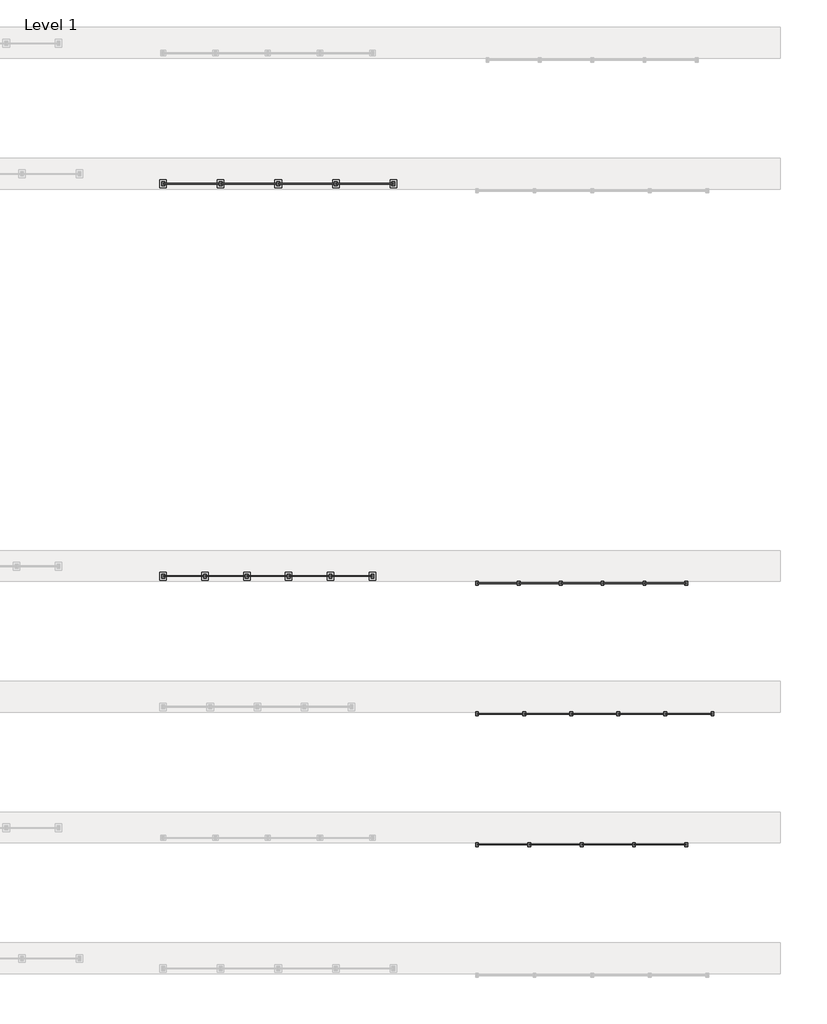
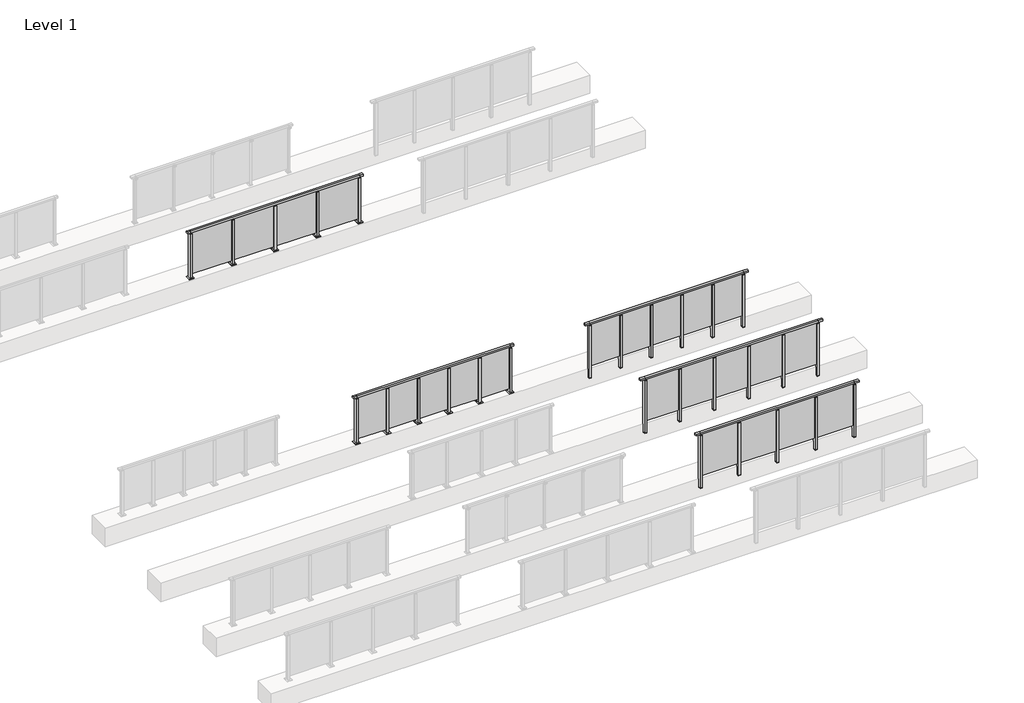
# One storey, part 21 of 38: 5 railings.
"""IFC4 building model written with IfcOpenShell, lengths in millimetres."""

from ifc_helpers import new_model, si_unit, frame, origin, origin_with_axes, place, context, project, spatial, polyline, outline, extrude, faceted_brep, element, save

model = new_model("IFC4")

# Units and contexts
model_context = context("Model", 3, world=origin())
ifc_project = project(units=[si_unit("LENGTHUNIT", "METRE", prefix="MILLI")], contexts=[model_context])

# Site, building, storey
site = spatial("IfcSite", under=ifc_project)
building = spatial("IfcBuilding", under=site)
storey = spatial("IfcBuildingStorey", under=building, Name="Level 1", Elevation=0.0)

# Railings
placement = place(None, origin())
element("IfcRailing", 1, at=placement, inside=storey, context=model_context, shape_type="SolidModel", body=[
    faceted_brep([(35476.1884576, 30030.1846828, 1252.5), (35476.1884576, 30030.1846828, 1300.0), (39876.1884576, 30030.1846828, 1300.0), (39876.1884576, 30030.1846828, 1252.5), (35476.1884576, 29970.1846828, 1252.5), (39876.1884576, 29970.1846828, 1252.5), (35476.1884576, 29970.1846828, 1300.0), (39876.1884576, 29970.1846828, 1300.0), (35388.6884576, 30030.1846828, 1300.0), (35388.6884576, 30030.1846828, 1252.5), (35388.6884576, 29970.1846828, 1252.5), (35388.6884576, 29970.1846828, 1300.0), (39963.6884576, 30030.1846828, 1300.0), (39963.6884576, 29970.1846828, 1300.0), (39963.6884576, 29970.1846828, 1252.5), (39963.6884576, 30030.1846828, 1252.5)], [[[0, 1, 2, 3]], [[4, 0, 3, 5]], [[6, 4, 5, 7]], [[1, 6, 7, 2]], [[8, 9, 10, 11]], [[9, 8, 1, 0]], [[10, 9, 0, 4]], [[11, 10, 4, 6]], [[8, 11, 6, 1]], [[12, 13, 14, 15]], [[3, 2, 12, 15]], [[5, 3, 15, 14]], [[7, 5, 14, 13]], [[2, 7, 13, 12]]]),
    extrude(outline(polyline([(38786.1884576, 30006.9598727), (39866.1884576, 30006.9598727), (39866.1884576, 29994.9598727), (38786.1884576, 29994.9598727), (38786.1884576, 30006.9598727)])), frame((0.0, 0.0, 95.0), z_axis=(0.0, 0.0, 1.0), x_axis=(1.0, 0.0, 0.0)), (0.0, 0.0, 1.0), 1160.0),
    extrude(outline(polyline([(38803.1884576, 29961.1846828), (38749.1884576, 29961.1846828), (38749.1884576, 30039.1846828), (38803.1884576, 30039.1846828), (38803.1884576, 29961.1846828)])), frame((0.0, 0.0, 12.0), z_axis=(0.0, 0.0, 1.0), x_axis=(1.0, 0.0, 0.0)), (0.0, 0.0, 1.0), 1215.0),
    extrude(outline(polyline([(38786.1884576, 29990.1846828), (38766.1884576, 29990.1846828), (38766.1884576, 30010.1846828), (38786.1884576, 30010.1846828), (38786.1884576, 29990.1846828)])), frame((0.0, 0.0, 1235.0), z_axis=(0.0, 0.0, 1.0), x_axis=(1.0, 0.0, 0.0)), (0.0, 0.0, 1.0), 20.0),
    extrude(outline(polyline([(38803.1884576, 29961.1846828), (38749.1884576, 29961.1846828), (38749.1884576, 30039.1846828), (38803.1884576, 30039.1846828), (38803.1884576, 29961.1846828)])), frame((0.0, 0.0, 1227.0), z_axis=(0.0, 0.0, 1.0), x_axis=(1.0, 0.0, 0.0)), (0.0, 0.0, 1.0), 8.0),
    extrude(outline(polyline([(38838.6884576, 29925.1846828), (38713.6884576, 29925.1846828), (38713.6884576, 30075.1846828), (38838.6884576, 30075.1846828), (38838.6884576, 29925.1846828)])), origin_with_axes(), (0.0, 0.0, 1.0), 12.0),
    extrude(outline(polyline([(37686.1884576, 30006.9598727), (38766.1884576, 30006.9598727), (38766.1884576, 29994.9598727), (37686.1884576, 29994.9598727), (37686.1884576, 30006.9598727)])), frame((0.0, 0.0, 95.0), z_axis=(0.0, 0.0, 1.0), x_axis=(1.0, 0.0, 0.0)), (0.0, 0.0, 1.0), 1160.0),
    extrude(outline(polyline([(37703.1884576, 29961.1846828), (37649.1884576, 29961.1846828), (37649.1884576, 30039.1846828), (37703.1884576, 30039.1846828), (37703.1884576, 29961.1846828)])), frame((0.0, 0.0, 12.0), z_axis=(0.0, 0.0, 1.0), x_axis=(1.0, 0.0, 0.0)), (0.0, 0.0, 1.0), 1215.0),
    extrude(outline(polyline([(37686.1884576, 29990.1846828), (37666.1884576, 29990.1846828), (37666.1884576, 30010.1846828), (37686.1884576, 30010.1846828), (37686.1884576, 29990.1846828)])), frame((0.0, 0.0, 1235.0), z_axis=(0.0, 0.0, 1.0), x_axis=(1.0, 0.0, 0.0)), (0.0, 0.0, 1.0), 20.0),
    extrude(outline(polyline([(37703.1884576, 29961.1846828), (37649.1884576, 29961.1846828), (37649.1884576, 30039.1846828), (37703.1884576, 30039.1846828), (37703.1884576, 29961.1846828)])), frame((0.0, 0.0, 1227.0), z_axis=(0.0, 0.0, 1.0), x_axis=(1.0, 0.0, 0.0)), (0.0, 0.0, 1.0), 8.0),
    extrude(outline(polyline([(37738.6884576, 29925.1846828), (37613.6884576, 29925.1846828), (37613.6884576, 30075.1846828), (37738.6884576, 30075.1846828), (37738.6884576, 29925.1846828)])), origin_with_axes(), (0.0, 0.0, 1.0), 12.0),
    extrude(outline(polyline([(36586.1884576, 30006.9598727), (37666.1884576, 30006.9598727), (37666.1884576, 29994.9598727), (36586.1884576, 29994.9598727), (36586.1884576, 30006.9598727)])), frame((0.0, 0.0, 95.0), z_axis=(0.0, 0.0, 1.0), x_axis=(1.0, 0.0, 0.0)), (0.0, 0.0, 1.0), 1160.0),
    extrude(outline(polyline([(36603.1884576, 29961.1846828), (36549.1884576, 29961.1846828), (36549.1884576, 30039.1846828), (36603.1884576, 30039.1846828), (36603.1884576, 29961.1846828)])), frame((0.0, 0.0, 12.0), z_axis=(0.0, 0.0, 1.0), x_axis=(1.0, 0.0, 0.0)), (0.0, 0.0, 1.0), 1215.0),
    extrude(outline(polyline([(36586.1884576, 29990.1846828), (36566.1884576, 29990.1846828), (36566.1884576, 30010.1846828), (36586.1884576, 30010.1846828), (36586.1884576, 29990.1846828)])), frame((0.0, 0.0, 1235.0), z_axis=(0.0, 0.0, 1.0), x_axis=(1.0, 0.0, 0.0)), (0.0, 0.0, 1.0), 20.0),
    extrude(outline(polyline([(36603.1884576, 29961.1846828), (36549.1884576, 29961.1846828), (36549.1884576, 30039.1846828), (36603.1884576, 30039.1846828), (36603.1884576, 29961.1846828)])), frame((0.0, 0.0, 1227.0), z_axis=(0.0, 0.0, 1.0), x_axis=(1.0, 0.0, 0.0)), (0.0, 0.0, 1.0), 8.0),
    extrude(outline(polyline([(36638.6884576, 29925.1846828), (36513.6884576, 29925.1846828), (36513.6884576, 30075.1846828), (36638.6884576, 30075.1846828), (36638.6884576, 29925.1846828)])), origin_with_axes(), (0.0, 0.0, 1.0), 12.0),
    extrude(outline(polyline([(35486.1884576, 30006.9598727), (36566.1884576, 30006.9598727), (36566.1884576, 29994.9598727), (35486.1884576, 29994.9598727), (35486.1884576, 30006.9598727)])), frame((0.0, 0.0, 95.0), z_axis=(0.0, 0.0, 1.0), x_axis=(1.0, 0.0, 0.0)), (0.0, 0.0, 1.0), 1160.0),
    extrude(outline(polyline([(39903.1884576, 29961.1846828), (39849.1884576, 29961.1846828), (39849.1884576, 30039.1846828), (39903.1884576, 30039.1846828), (39903.1884576, 29961.1846828)])), frame((0.0, 0.0, 12.0), z_axis=(0.0, 0.0, 1.0), x_axis=(1.0, 0.0, 0.0)), (0.0, 0.0, 1.0), 1215.0),
    extrude(outline(polyline([(39886.1884576, 29990.1846828), (39866.1884576, 29990.1846828), (39866.1884576, 30010.1846828), (39886.1884576, 30010.1846828), (39886.1884576, 29990.1846828)])), frame((0.0, 0.0, 1235.0), z_axis=(0.0, 0.0, 1.0), x_axis=(1.0, 0.0, 0.0)), (0.0, 0.0, 1.0), 20.0),
    extrude(outline(polyline([(39903.1884576, 29961.1846828), (39849.1884576, 29961.1846828), (39849.1884576, 30039.1846828), (39903.1884576, 30039.1846828), (39903.1884576, 29961.1846828)])), frame((0.0, 0.0, 1227.0), z_axis=(0.0, 0.0, 1.0), x_axis=(1.0, 0.0, 0.0)), (0.0, 0.0, 1.0), 8.0),
    extrude(outline(polyline([(39938.6884576, 29925.1846828), (39813.6884576, 29925.1846828), (39813.6884576, 30075.1846828), (39938.6884576, 30075.1846828), (39938.6884576, 29925.1846828)])), origin_with_axes(), (0.0, 0.0, 1.0), 12.0),
    extrude(outline(polyline([(35503.1884576, 29961.1846828), (35449.1884576, 29961.1846828), (35449.1884576, 30039.1846828), (35503.1884576, 30039.1846828), (35503.1884576, 29961.1846828)])), frame((0.0, 0.0, 12.0), z_axis=(0.0, 0.0, 1.0), x_axis=(1.0, 0.0, 0.0)), (0.0, 0.0, 1.0), 1215.0),
    extrude(outline(polyline([(35486.1884576, 29990.1846828), (35466.1884576, 29990.1846828), (35466.1884576, 30010.1846828), (35486.1884576, 30010.1846828), (35486.1884576, 29990.1846828)])), frame((0.0, 0.0, 1235.0), z_axis=(0.0, 0.0, 1.0), x_axis=(1.0, 0.0, 0.0)), (0.0, 0.0, 1.0), 20.0),
    extrude(outline(polyline([(35503.1884576, 29961.1846828), (35449.1884576, 29961.1846828), (35449.1884576, 30039.1846828), (35503.1884576, 30039.1846828), (35503.1884576, 29961.1846828)])), frame((0.0, 0.0, 1227.0), z_axis=(0.0, 0.0, 1.0), x_axis=(1.0, 0.0, 0.0)), (0.0, 0.0, 1.0), 8.0),
    extrude(outline(polyline([(35538.6884576, 29925.1846828), (35413.6884576, 29925.1846828), (35413.6884576, 30075.1846828), (35538.6884576, 30075.1846828), (35538.6884576, 29925.1846828)])), origin_with_axes(), (0.0, 0.0, 1.0), 12.0),
])
element("IfcRailing", 2, at=placement, inside=storey, context=model_context, shape_type="SolidModel", body=[
    faceted_brep([(41476.1884576, 17397.6846828, 1252.5), (41476.1884576, 17397.6846828, 1300.0), (45476.1884576, 17397.6846828, 1300.0), (45476.1884576, 17397.6846828, 1252.5), (41476.1884576, 17337.6846828, 1252.5), (45476.1884576, 17337.6846828, 1252.5), (41476.1884576, 17337.6846828, 1300.0), (45476.1884576, 17337.6846828, 1300.0), (41353.1884576, 17397.6846828, 1300.0), (41353.1884576, 17397.6846828, 1252.5), (41353.1884576, 17337.6846828, 1252.5), (41353.1884576, 17337.6846828, 1300.0), (45599.1884576, 17397.6846828, 1300.0), (45599.1884576, 17337.6846828, 1300.0), (45599.1884576, 17337.6846828, 1252.5), (45599.1884576, 17397.6846828, 1252.5)], [[[0, 1, 2, 3]], [[4, 0, 3, 5]], [[6, 4, 5, 7]], [[1, 6, 7, 2]], [[8, 9, 10, 11]], [[9, 8, 1, 0]], [[10, 9, 0, 4]], [[11, 10, 4, 6]], [[8, 11, 6, 1]], [[12, 13, 14, 15]], [[3, 2, 12, 15]], [[5, 3, 15, 14]], [[7, 5, 14, 13]], [[2, 7, 13, 12]]]),
    extrude(outline(polyline([(44486.1884576, 17360.9094929), (44486.1884576, 17372.9094929), (45466.1884576, 17372.9094929), (45466.1884576, 17360.9094929), (44486.1884576, 17360.9094929)])), frame((0.0, 0.0, 95.0), z_axis=(0.0, 0.0, 1.0), x_axis=(1.0, 0.0, 0.0)), (0.0, 0.0, 1.0), 1160.0),
    extrude(outline(polyline([(44503.1884576, 17406.6846828), (44503.1884576, 17328.6846828), (44449.1884576, 17328.6846828), (44449.1884576, 17406.6846828), (44503.1884576, 17406.6846828)])), frame((0.0, 0.0, 1227.0), z_axis=(0.0, 0.0, 1.0), x_axis=(1.0, 0.0, 0.0)), (0.0, 0.0, 1.0), 8.0),
    extrude(outline(polyline([(44486.1884576, 17377.6846828), (44486.1884576, 17357.6846828), (44466.1884576, 17357.6846828), (44466.1884576, 17377.6846828), (44486.1884576, 17377.6846828)])), frame((0.0, 0.0, 1235.0), z_axis=(0.0, 0.0, 1.0), x_axis=(1.0, 0.0, 0.0)), (0.0, 0.0, 1.0), 20.0),
    extrude(outline(polyline([(44503.1884576, 17406.6846828), (44503.1884576, 17328.6846828), (44449.1884576, 17328.6846828), (44449.1884576, 17406.6846828), (44503.1884576, 17406.6846828)])), frame((0.0, 0.0, -220.0), z_axis=(0.0, 0.0, 1.0), x_axis=(1.0, 0.0, 0.0)), (0.0, 0.0, 1.0), 8.0),
    extrude(outline(polyline([(44503.1884576, 17406.6846828), (44503.1884576, 17328.6846828), (44449.1884576, 17328.6846828), (44449.1884576, 17406.6846828), (44503.1884576, 17406.6846828)])), frame((0.0, 0.0, -212.0), z_axis=(0.0, 0.0, 1.0), x_axis=(1.0, 0.0, 0.0)), (0.0, 0.0, 1.0), 1439.0),
    extrude(outline(polyline([(43486.1884576, 17360.9094929), (43486.1884576, 17372.9094929), (44466.1884576, 17372.9094929), (44466.1884576, 17360.9094929), (43486.1884576, 17360.9094929)])), frame((0.0, 0.0, 95.0), z_axis=(0.0, 0.0, 1.0), x_axis=(1.0, 0.0, 0.0)), (0.0, 0.0, 1.0), 1160.0),
    extrude(outline(polyline([(43503.1884576, 17406.6846828), (43503.1884576, 17328.6846828), (43449.1884576, 17328.6846828), (43449.1884576, 17406.6846828), (43503.1884576, 17406.6846828)])), frame((0.0, 0.0, 1227.0), z_axis=(0.0, 0.0, 1.0), x_axis=(1.0, 0.0, 0.0)), (0.0, 0.0, 1.0), 8.0),
    extrude(outline(polyline([(43486.1884576, 17377.6846828), (43486.1884576, 17357.6846828), (43466.1884576, 17357.6846828), (43466.1884576, 17377.6846828), (43486.1884576, 17377.6846828)])), frame((0.0, 0.0, 1235.0), z_axis=(0.0, 0.0, 1.0), x_axis=(1.0, 0.0, 0.0)), (0.0, 0.0, 1.0), 20.0),
    extrude(outline(polyline([(43503.1884576, 17406.6846828), (43503.1884576, 17328.6846828), (43449.1884576, 17328.6846828), (43449.1884576, 17406.6846828), (43503.1884576, 17406.6846828)])), frame((0.0, 0.0, -220.0), z_axis=(0.0, 0.0, 1.0), x_axis=(1.0, 0.0, 0.0)), (0.0, 0.0, 1.0), 8.0),
    extrude(outline(polyline([(43503.1884576, 17406.6846828), (43503.1884576, 17328.6846828), (43449.1884576, 17328.6846828), (43449.1884576, 17406.6846828), (43503.1884576, 17406.6846828)])), frame((0.0, 0.0, -212.0), z_axis=(0.0, 0.0, 1.0), x_axis=(1.0, 0.0, 0.0)), (0.0, 0.0, 1.0), 1439.0),
    extrude(outline(polyline([(42486.1884576, 17360.9094929), (42486.1884576, 17372.9094929), (43466.1884576, 17372.9094929), (43466.1884576, 17360.9094929), (42486.1884576, 17360.9094929)])), frame((0.0, 0.0, 95.0), z_axis=(0.0, 0.0, 1.0), x_axis=(1.0, 0.0, 0.0)), (0.0, 0.0, 1.0), 1160.0),
    extrude(outline(polyline([(42503.1884576, 17406.6846828), (42503.1884576, 17328.6846828), (42449.1884576, 17328.6846828), (42449.1884576, 17406.6846828), (42503.1884576, 17406.6846828)])), frame((0.0, 0.0, 1227.0), z_axis=(0.0, 0.0, 1.0), x_axis=(1.0, 0.0, 0.0)), (0.0, 0.0, 1.0), 8.0),
    extrude(outline(polyline([(42486.1884576, 17377.6846828), (42486.1884576, 17357.6846828), (42466.1884576, 17357.6846828), (42466.1884576, 17377.6846828), (42486.1884576, 17377.6846828)])), frame((0.0, 0.0, 1235.0), z_axis=(0.0, 0.0, 1.0), x_axis=(1.0, 0.0, 0.0)), (0.0, 0.0, 1.0), 20.0),
    extrude(outline(polyline([(42503.1884576, 17406.6846828), (42503.1884576, 17328.6846828), (42449.1884576, 17328.6846828), (42449.1884576, 17406.6846828), (42503.1884576, 17406.6846828)])), frame((0.0, 0.0, -220.0), z_axis=(0.0, 0.0, 1.0), x_axis=(1.0, 0.0, 0.0)), (0.0, 0.0, 1.0), 8.0),
    extrude(outline(polyline([(42503.1884576, 17406.6846828), (42503.1884576, 17328.6846828), (42449.1884576, 17328.6846828), (42449.1884576, 17406.6846828), (42503.1884576, 17406.6846828)])), frame((0.0, 0.0, -212.0), z_axis=(0.0, 0.0, 1.0), x_axis=(1.0, 0.0, 0.0)), (0.0, 0.0, 1.0), 1439.0),
    extrude(outline(polyline([(41486.1884576, 17360.9094929), (41486.1884576, 17372.9094929), (42466.1884576, 17372.9094929), (42466.1884576, 17360.9094929), (41486.1884576, 17360.9094929)])), frame((0.0, 0.0, 95.0), z_axis=(0.0, 0.0, 1.0), x_axis=(1.0, 0.0, 0.0)), (0.0, 0.0, 1.0), 1160.0),
    extrude(outline(polyline([(45503.1884576, 17406.6846828), (45503.1884576, 17328.6846828), (45449.1884576, 17328.6846828), (45449.1884576, 17406.6846828), (45503.1884576, 17406.6846828)])), frame((0.0, 0.0, 1227.0), z_axis=(0.0, 0.0, 1.0), x_axis=(1.0, 0.0, 0.0)), (0.0, 0.0, 1.0), 8.0),
    extrude(outline(polyline([(45486.1884576, 17377.6846828), (45486.1884576, 17357.6846828), (45466.1884576, 17357.6846828), (45466.1884576, 17377.6846828), (45486.1884576, 17377.6846828)])), frame((0.0, 0.0, 1235.0), z_axis=(0.0, 0.0, 1.0), x_axis=(1.0, 0.0, 0.0)), (0.0, 0.0, 1.0), 20.0),
    extrude(outline(polyline([(45503.1884576, 17406.6846828), (45503.1884576, 17328.6846828), (45449.1884576, 17328.6846828), (45449.1884576, 17406.6846828), (45503.1884576, 17406.6846828)])), frame((0.0, 0.0, -220.0), z_axis=(0.0, 0.0, 1.0), x_axis=(1.0, 0.0, 0.0)), (0.0, 0.0, 1.0), 8.0),
    extrude(outline(polyline([(45503.1884576, 17406.6846828), (45503.1884576, 17328.6846828), (45449.1884576, 17328.6846828), (45449.1884576, 17406.6846828), (45503.1884576, 17406.6846828)])), frame((0.0, 0.0, -212.0), z_axis=(0.0, 0.0, 1.0), x_axis=(1.0, 0.0, 0.0)), (0.0, 0.0, 1.0), 1439.0),
    extrude(outline(polyline([(41503.1884576, 17406.6846828), (41503.1884576, 17328.6846828), (41449.1884576, 17328.6846828), (41449.1884576, 17406.6846828), (41503.1884576, 17406.6846828)])), frame((0.0, 0.0, 1227.0), z_axis=(0.0, 0.0, 1.0), x_axis=(1.0, 0.0, 0.0)), (0.0, 0.0, 1.0), 8.0),
    extrude(outline(polyline([(41486.1884576, 17377.6846828), (41486.1884576, 17357.6846828), (41466.1884576, 17357.6846828), (41466.1884576, 17377.6846828), (41486.1884576, 17377.6846828)])), frame((0.0, 0.0, 1235.0), z_axis=(0.0, 0.0, 1.0), x_axis=(1.0, 0.0, 0.0)), (0.0, 0.0, 1.0), 20.0),
    extrude(outline(polyline([(41503.1884576, 17406.6846828), (41503.1884576, 17328.6846828), (41449.1884576, 17328.6846828), (41449.1884576, 17406.6846828), (41503.1884576, 17406.6846828)])), frame((0.0, 0.0, -220.0), z_axis=(0.0, 0.0, 1.0), x_axis=(1.0, 0.0, 0.0)), (0.0, 0.0, 1.0), 8.0),
    extrude(outline(polyline([(41503.1884576, 17406.6846828), (41503.1884576, 17328.6846828), (41449.1884576, 17328.6846828), (41449.1884576, 17406.6846828), (41503.1884576, 17406.6846828)])), frame((0.0, 0.0, -212.0), z_axis=(0.0, 0.0, 1.0), x_axis=(1.0, 0.0, 0.0)), (0.0, 0.0, 1.0), 1439.0),
])
element("IfcRailing", 3, at=placement, inside=storey, context=model_context, shape_type="SolidModel", body=[
    faceted_brep([(41476.1884576, 19897.6846828, 1252.5), (41476.1884576, 19897.6846828, 1300.0), (45976.1884576, 19897.6846828, 1300.0), (45976.1884576, 19897.6846828, 1252.5), (41476.1884576, 19837.6846828, 1252.5), (45976.1884576, 19837.6846828, 1252.5), (41476.1884576, 19837.6846828, 1300.0), (45976.1884576, 19837.6846828, 1300.0), (41353.1884576, 19897.6846828, 1300.0), (41353.1884576, 19897.6846828, 1252.5), (41353.1884576, 19837.6846828, 1252.5), (41353.1884576, 19837.6846828, 1300.0), (46099.1884576, 19897.6846828, 1300.0), (46099.1884576, 19837.6846828, 1300.0), (46099.1884576, 19837.6846828, 1252.5), (46099.1884576, 19897.6846828, 1252.5)], [[[0, 1, 2, 3]], [[4, 0, 3, 5]], [[6, 4, 5, 7]], [[1, 6, 7, 2]], [[8, 9, 10, 11]], [[9, 8, 1, 0]], [[10, 9, 0, 4]], [[11, 10, 4, 6]], [[8, 11, 6, 1]], [[12, 13, 14, 15]], [[3, 2, 12, 15]], [[5, 3, 15, 14]], [[7, 5, 14, 13]], [[2, 7, 13, 12]]]),
    extrude(outline(polyline([(45086.1884576, 19859.4094929), (45086.1884576, 19874.4094929), (45966.1884576, 19874.4094929), (45966.1884576, 19859.4094929), (45086.1884576, 19859.4094929)])), frame((0.0, 0.0, 95.0), z_axis=(0.0, 0.0, 1.0), x_axis=(1.0, 0.0, 0.0)), (0.0, 0.0, 1.0), 1160.0),
    extrude(outline(polyline([(45103.1884576, 19906.6846828), (45103.1884576, 19828.6846828), (45049.1884576, 19828.6846828), (45049.1884576, 19906.6846828), (45103.1884576, 19906.6846828)])), frame((0.0, 0.0, 1227.0), z_axis=(0.0, 0.0, 1.0), x_axis=(1.0, 0.0, 0.0)), (0.0, 0.0, 1.0), 8.0),
    extrude(outline(polyline([(45086.1884576, 19877.6846828), (45086.1884576, 19857.6846828), (45066.1884576, 19857.6846828), (45066.1884576, 19877.6846828), (45086.1884576, 19877.6846828)])), frame((0.0, 0.0, 1235.0), z_axis=(0.0, 0.0, 1.0), x_axis=(1.0, 0.0, 0.0)), (0.0, 0.0, 1.0), 20.0),
    extrude(outline(polyline([(45103.1884576, 19906.6846828), (45103.1884576, 19828.6846828), (45049.1884576, 19828.6846828), (45049.1884576, 19906.6846828), (45103.1884576, 19906.6846828)])), frame((0.0, 0.0, -220.0), z_axis=(0.0, 0.0, 1.0), x_axis=(1.0, 0.0, 0.0)), (0.0, 0.0, 1.0), 8.0),
    extrude(outline(polyline([(45103.1884576, 19906.6846828), (45103.1884576, 19828.6846828), (45049.1884576, 19828.6846828), (45049.1884576, 19906.6846828), (45103.1884576, 19906.6846828)])), frame((0.0, 0.0, -212.0), z_axis=(0.0, 0.0, 1.0), x_axis=(1.0, 0.0, 0.0)), (0.0, 0.0, 1.0), 1439.0),
    extrude(outline(polyline([(44186.1884576, 19859.4094929), (44186.1884576, 19874.4094929), (45066.1884576, 19874.4094929), (45066.1884576, 19859.4094929), (44186.1884576, 19859.4094929)])), frame((0.0, 0.0, 95.0), z_axis=(0.0, 0.0, 1.0), x_axis=(1.0, 0.0, 0.0)), (0.0, 0.0, 1.0), 1160.0),
    extrude(outline(polyline([(44203.1884576, 19906.6846828), (44203.1884576, 19828.6846828), (44149.1884576, 19828.6846828), (44149.1884576, 19906.6846828), (44203.1884576, 19906.6846828)])), frame((0.0, 0.0, 1227.0), z_axis=(0.0, 0.0, 1.0), x_axis=(1.0, 0.0, 0.0)), (0.0, 0.0, 1.0), 8.0),
    extrude(outline(polyline([(44186.1884576, 19877.6846828), (44186.1884576, 19857.6846828), (44166.1884576, 19857.6846828), (44166.1884576, 19877.6846828), (44186.1884576, 19877.6846828)])), frame((0.0, 0.0, 1235.0), z_axis=(0.0, 0.0, 1.0), x_axis=(1.0, 0.0, 0.0)), (0.0, 0.0, 1.0), 20.0),
    extrude(outline(polyline([(44203.1884576, 19906.6846828), (44203.1884576, 19828.6846828), (44149.1884576, 19828.6846828), (44149.1884576, 19906.6846828), (44203.1884576, 19906.6846828)])), frame((0.0, 0.0, -220.0), z_axis=(0.0, 0.0, 1.0), x_axis=(1.0, 0.0, 0.0)), (0.0, 0.0, 1.0), 8.0),
    extrude(outline(polyline([(44203.1884576, 19906.6846828), (44203.1884576, 19828.6846828), (44149.1884576, 19828.6846828), (44149.1884576, 19906.6846828), (44203.1884576, 19906.6846828)])), frame((0.0, 0.0, -212.0), z_axis=(0.0, 0.0, 1.0), x_axis=(1.0, 0.0, 0.0)), (0.0, 0.0, 1.0), 1439.0),
    extrude(outline(polyline([(43286.1884576, 19859.4094929), (43286.1884576, 19874.4094929), (44166.1884576, 19874.4094929), (44166.1884576, 19859.4094929), (43286.1884576, 19859.4094929)])), frame((0.0, 0.0, 95.0), z_axis=(0.0, 0.0, 1.0), x_axis=(1.0, 0.0, 0.0)), (0.0, 0.0, 1.0), 1160.0),
    extrude(outline(polyline([(43303.1884576, 19906.6846828), (43303.1884576, 19828.6846828), (43249.1884576, 19828.6846828), (43249.1884576, 19906.6846828), (43303.1884576, 19906.6846828)])), frame((0.0, 0.0, 1227.0), z_axis=(0.0, 0.0, 1.0), x_axis=(1.0, 0.0, 0.0)), (0.0, 0.0, 1.0), 8.0),
    extrude(outline(polyline([(43286.1884576, 19877.6846828), (43286.1884576, 19857.6846828), (43266.1884576, 19857.6846828), (43266.1884576, 19877.6846828), (43286.1884576, 19877.6846828)])), frame((0.0, 0.0, 1235.0), z_axis=(0.0, 0.0, 1.0), x_axis=(1.0, 0.0, 0.0)), (0.0, 0.0, 1.0), 20.0),
    extrude(outline(polyline([(43303.1884576, 19906.6846828), (43303.1884576, 19828.6846828), (43249.1884576, 19828.6846828), (43249.1884576, 19906.6846828), (43303.1884576, 19906.6846828)])), frame((0.0, 0.0, -220.0), z_axis=(0.0, 0.0, 1.0), x_axis=(1.0, 0.0, 0.0)), (0.0, 0.0, 1.0), 8.0),
    extrude(outline(polyline([(43303.1884576, 19906.6846828), (43303.1884576, 19828.6846828), (43249.1884576, 19828.6846828), (43249.1884576, 19906.6846828), (43303.1884576, 19906.6846828)])), frame((0.0, 0.0, -212.0), z_axis=(0.0, 0.0, 1.0), x_axis=(1.0, 0.0, 0.0)), (0.0, 0.0, 1.0), 1439.0),
    extrude(outline(polyline([(42386.1884576, 19859.4094929), (42386.1884576, 19874.4094929), (43266.1884576, 19874.4094929), (43266.1884576, 19859.4094929), (42386.1884576, 19859.4094929)])), frame((0.0, 0.0, 95.0), z_axis=(0.0, 0.0, 1.0), x_axis=(1.0, 0.0, 0.0)), (0.0, 0.0, 1.0), 1160.0),
    extrude(outline(polyline([(42403.1884576, 19906.6846828), (42403.1884576, 19828.6846828), (42349.1884576, 19828.6846828), (42349.1884576, 19906.6846828), (42403.1884576, 19906.6846828)])), frame((0.0, 0.0, 1227.0), z_axis=(0.0, 0.0, 1.0), x_axis=(1.0, 0.0, 0.0)), (0.0, 0.0, 1.0), 8.0),
    extrude(outline(polyline([(42386.1884576, 19877.6846828), (42386.1884576, 19857.6846828), (42366.1884576, 19857.6846828), (42366.1884576, 19877.6846828), (42386.1884576, 19877.6846828)])), frame((0.0, 0.0, 1235.0), z_axis=(0.0, 0.0, 1.0), x_axis=(1.0, 0.0, 0.0)), (0.0, 0.0, 1.0), 20.0),
    extrude(outline(polyline([(42403.1884576, 19906.6846828), (42403.1884576, 19828.6846828), (42349.1884576, 19828.6846828), (42349.1884576, 19906.6846828), (42403.1884576, 19906.6846828)])), frame((0.0, 0.0, -220.0), z_axis=(0.0, 0.0, 1.0), x_axis=(1.0, 0.0, 0.0)), (0.0, 0.0, 1.0), 8.0),
    extrude(outline(polyline([(42403.1884576, 19906.6846828), (42403.1884576, 19828.6846828), (42349.1884576, 19828.6846828), (42349.1884576, 19906.6846828), (42403.1884576, 19906.6846828)])), frame((0.0, 0.0, -212.0), z_axis=(0.0, 0.0, 1.0), x_axis=(1.0, 0.0, 0.0)), (0.0, 0.0, 1.0), 1439.0),
    extrude(outline(polyline([(41486.1884576, 19859.4094929), (41486.1884576, 19874.4094929), (42366.1884576, 19874.4094929), (42366.1884576, 19859.4094929), (41486.1884576, 19859.4094929)])), frame((0.0, 0.0, 95.0), z_axis=(0.0, 0.0, 1.0), x_axis=(1.0, 0.0, 0.0)), (0.0, 0.0, 1.0), 1160.0),
    extrude(outline(polyline([(46003.1884576, 19906.6846828), (46003.1884576, 19828.6846828), (45949.1884576, 19828.6846828), (45949.1884576, 19906.6846828), (46003.1884576, 19906.6846828)])), frame((0.0, 0.0, 1227.0), z_axis=(0.0, 0.0, 1.0), x_axis=(1.0, 0.0, 0.0)), (0.0, 0.0, 1.0), 8.0),
    extrude(outline(polyline([(45986.1884576, 19877.6846828), (45986.1884576, 19857.6846828), (45966.1884576, 19857.6846828), (45966.1884576, 19877.6846828), (45986.1884576, 19877.6846828)])), frame((0.0, 0.0, 1235.0), z_axis=(0.0, 0.0, 1.0), x_axis=(1.0, 0.0, 0.0)), (0.0, 0.0, 1.0), 20.0),
    extrude(outline(polyline([(46003.1884576, 19906.6846828), (46003.1884576, 19828.6846828), (45949.1884576, 19828.6846828), (45949.1884576, 19906.6846828), (46003.1884576, 19906.6846828)])), frame((0.0, 0.0, -220.0), z_axis=(0.0, 0.0, 1.0), x_axis=(1.0, 0.0, 0.0)), (0.0, 0.0, 1.0), 8.0),
    extrude(outline(polyline([(46003.1884576, 19906.6846828), (46003.1884576, 19828.6846828), (45949.1884576, 19828.6846828), (45949.1884576, 19906.6846828), (46003.1884576, 19906.6846828)])), frame((0.0, 0.0, -212.0), z_axis=(0.0, 0.0, 1.0), x_axis=(1.0, 0.0, 0.0)), (0.0, 0.0, 1.0), 1439.0),
    extrude(outline(polyline([(41503.1884576, 19906.6846828), (41503.1884576, 19828.6846828), (41449.1884576, 19828.6846828), (41449.1884576, 19906.6846828), (41503.1884576, 19906.6846828)])), frame((0.0, 0.0, 1227.0), z_axis=(0.0, 0.0, 1.0), x_axis=(1.0, 0.0, 0.0)), (0.0, 0.0, 1.0), 8.0),
    extrude(outline(polyline([(41486.1884576, 19877.6846828), (41486.1884576, 19857.6846828), (41466.1884576, 19857.6846828), (41466.1884576, 19877.6846828), (41486.1884576, 19877.6846828)])), frame((0.0, 0.0, 1235.0), z_axis=(0.0, 0.0, 1.0), x_axis=(1.0, 0.0, 0.0)), (0.0, 0.0, 1.0), 20.0),
    extrude(outline(polyline([(41503.1884576, 19906.6846828), (41503.1884576, 19828.6846828), (41449.1884576, 19828.6846828), (41449.1884576, 19906.6846828), (41503.1884576, 19906.6846828)])), frame((0.0, 0.0, -220.0), z_axis=(0.0, 0.0, 1.0), x_axis=(1.0, 0.0, 0.0)), (0.0, 0.0, 1.0), 8.0),
    extrude(outline(polyline([(41503.1884576, 19906.6846828), (41503.1884576, 19828.6846828), (41449.1884576, 19828.6846828), (41449.1884576, 19906.6846828), (41503.1884576, 19906.6846828)])), frame((0.0, 0.0, -212.0), z_axis=(0.0, 0.0, 1.0), x_axis=(1.0, 0.0, 0.0)), (0.0, 0.0, 1.0), 1439.0),
])
element("IfcRailing", 4, at=placement, inside=storey, context=model_context, shape_type="SolidModel", body=[
    faceted_brep([(41476.1884576, 22397.6846828, 1252.5), (41476.1884576, 22397.6846828, 1300.0), (45476.1884576, 22397.6846828, 1300.0), (45476.1884576, 22397.6846828, 1252.5), (41476.1884576, 22337.6846828, 1252.5), (45476.1884576, 22337.6846828, 1252.5), (41476.1884576, 22337.6846828, 1300.0), (45476.1884576, 22337.6846828, 1300.0), (41353.1884576, 22397.6846828, 1300.0), (41353.1884576, 22397.6846828, 1252.5), (41353.1884576, 22337.6846828, 1252.5), (41353.1884576, 22337.6846828, 1300.0), (45599.1884576, 22397.6846828, 1300.0), (45599.1884576, 22337.6846828, 1300.0), (45599.1884576, 22337.6846828, 1252.5), (45599.1884576, 22397.6846828, 1252.5)], [[[0, 1, 2, 3]], [[4, 0, 3, 5]], [[6, 4, 5, 7]], [[1, 6, 7, 2]], [[8, 9, 10, 11]], [[9, 8, 1, 0]], [[10, 9, 0, 4]], [[11, 10, 4, 6]], [[8, 11, 6, 1]], [[12, 13, 14, 15]], [[3, 2, 12, 15]], [[5, 3, 15, 14]], [[7, 5, 14, 13]], [[2, 7, 13, 12]]]),
    extrude(outline(polyline([(44686.1884576, 22359.4094929), (44686.1884576, 22374.4094929), (45466.1884576, 22374.4094929), (45466.1884576, 22359.4094929), (44686.1884576, 22359.4094929)])), frame((0.0, 0.0, 95.0), z_axis=(0.0, 0.0, 1.0), x_axis=(1.0, 0.0, 0.0)), (0.0, 0.0, 1.0), 1160.0),
    extrude(outline(polyline([(44703.1884576, 22406.6846828), (44703.1884576, 22328.6846828), (44649.1884576, 22328.6846828), (44649.1884576, 22406.6846828), (44703.1884576, 22406.6846828)])), frame((0.0, 0.0, 1227.0), z_axis=(0.0, 0.0, 1.0), x_axis=(1.0, 0.0, 0.0)), (0.0, 0.0, 1.0), 8.0),
    extrude(outline(polyline([(44686.1884576, 22377.6846828), (44686.1884576, 22357.6846828), (44666.1884576, 22357.6846828), (44666.1884576, 22377.6846828), (44686.1884576, 22377.6846828)])), frame((0.0, 0.0, 1235.0), z_axis=(0.0, 0.0, 1.0), x_axis=(1.0, 0.0, 0.0)), (0.0, 0.0, 1.0), 20.0),
    extrude(outline(polyline([(44703.1884576, 22406.6846828), (44703.1884576, 22328.6846828), (44649.1884576, 22328.6846828), (44649.1884576, 22406.6846828), (44703.1884576, 22406.6846828)])), frame((0.0, 0.0, -220.0), z_axis=(0.0, 0.0, 1.0), x_axis=(1.0, 0.0, 0.0)), (0.0, 0.0, 1.0), 8.0),
    extrude(outline(polyline([(44703.1884576, 22406.6846828), (44703.1884576, 22328.6846828), (44649.1884576, 22328.6846828), (44649.1884576, 22406.6846828), (44703.1884576, 22406.6846828)])), frame((0.0, 0.0, -212.0), z_axis=(0.0, 0.0, 1.0), x_axis=(1.0, 0.0, 0.0)), (0.0, 0.0, 1.0), 1439.0),
    extrude(outline(polyline([(43886.1884576, 22359.4094929), (43886.1884576, 22374.4094929), (44666.1884576, 22374.4094929), (44666.1884576, 22359.4094929), (43886.1884576, 22359.4094929)])), frame((0.0, 0.0, 95.0), z_axis=(0.0, 0.0, 1.0), x_axis=(1.0, 0.0, 0.0)), (0.0, 0.0, 1.0), 1160.0),
    extrude(outline(polyline([(43903.1884576, 22406.6846828), (43903.1884576, 22328.6846828), (43849.1884576, 22328.6846828), (43849.1884576, 22406.6846828), (43903.1884576, 22406.6846828)])), frame((0.0, 0.0, 1227.0), z_axis=(0.0, 0.0, 1.0), x_axis=(1.0, 0.0, 0.0)), (0.0, 0.0, 1.0), 8.0),
    extrude(outline(polyline([(43886.1884576, 22377.6846828), (43886.1884576, 22357.6846828), (43866.1884576, 22357.6846828), (43866.1884576, 22377.6846828), (43886.1884576, 22377.6846828)])), frame((0.0, 0.0, 1235.0), z_axis=(0.0, 0.0, 1.0), x_axis=(1.0, 0.0, 0.0)), (0.0, 0.0, 1.0), 20.0),
    extrude(outline(polyline([(43903.1884576, 22406.6846828), (43903.1884576, 22328.6846828), (43849.1884576, 22328.6846828), (43849.1884576, 22406.6846828), (43903.1884576, 22406.6846828)])), frame((0.0, 0.0, -220.0), z_axis=(0.0, 0.0, 1.0), x_axis=(1.0, 0.0, 0.0)), (0.0, 0.0, 1.0), 8.0),
    extrude(outline(polyline([(43903.1884576, 22406.6846828), (43903.1884576, 22328.6846828), (43849.1884576, 22328.6846828), (43849.1884576, 22406.6846828), (43903.1884576, 22406.6846828)])), frame((0.0, 0.0, -212.0), z_axis=(0.0, 0.0, 1.0), x_axis=(1.0, 0.0, 0.0)), (0.0, 0.0, 1.0), 1439.0),
    extrude(outline(polyline([(43086.1884576, 22359.4094929), (43086.1884576, 22374.4094929), (43866.1884576, 22374.4094929), (43866.1884576, 22359.4094929), (43086.1884576, 22359.4094929)])), frame((0.0, 0.0, 95.0), z_axis=(0.0, 0.0, 1.0), x_axis=(1.0, 0.0, 0.0)), (0.0, 0.0, 1.0), 1160.0),
    extrude(outline(polyline([(43103.1884576, 22406.6846828), (43103.1884576, 22328.6846828), (43049.1884576, 22328.6846828), (43049.1884576, 22406.6846828), (43103.1884576, 22406.6846828)])), frame((0.0, 0.0, 1227.0), z_axis=(0.0, 0.0, 1.0), x_axis=(1.0, 0.0, 0.0)), (0.0, 0.0, 1.0), 8.0),
    extrude(outline(polyline([(43086.1884576, 22377.6846828), (43086.1884576, 22357.6846828), (43066.1884576, 22357.6846828), (43066.1884576, 22377.6846828), (43086.1884576, 22377.6846828)])), frame((0.0, 0.0, 1235.0), z_axis=(0.0, 0.0, 1.0), x_axis=(1.0, 0.0, 0.0)), (0.0, 0.0, 1.0), 20.0),
    extrude(outline(polyline([(43103.1884576, 22406.6846828), (43103.1884576, 22328.6846828), (43049.1884576, 22328.6846828), (43049.1884576, 22406.6846828), (43103.1884576, 22406.6846828)])), frame((0.0, 0.0, -220.0), z_axis=(0.0, 0.0, 1.0), x_axis=(1.0, 0.0, 0.0)), (0.0, 0.0, 1.0), 8.0),
    extrude(outline(polyline([(43103.1884576, 22406.6846828), (43103.1884576, 22328.6846828), (43049.1884576, 22328.6846828), (43049.1884576, 22406.6846828), (43103.1884576, 22406.6846828)])), frame((0.0, 0.0, -212.0), z_axis=(0.0, 0.0, 1.0), x_axis=(1.0, 0.0, 0.0)), (0.0, 0.0, 1.0), 1439.0),
    extrude(outline(polyline([(42286.1884576, 22359.4094929), (42286.1884576, 22374.4094929), (43066.1884576, 22374.4094929), (43066.1884576, 22359.4094929), (42286.1884576, 22359.4094929)])), frame((0.0, 0.0, 95.0), z_axis=(0.0, 0.0, 1.0), x_axis=(1.0, 0.0, 0.0)), (0.0, 0.0, 1.0), 1160.0),
    extrude(outline(polyline([(42303.1884576, 22406.6846828), (42303.1884576, 22328.6846828), (42249.1884576, 22328.6846828), (42249.1884576, 22406.6846828), (42303.1884576, 22406.6846828)])), frame((0.0, 0.0, 1227.0), z_axis=(0.0, 0.0, 1.0), x_axis=(1.0, 0.0, 0.0)), (0.0, 0.0, 1.0), 8.0),
    extrude(outline(polyline([(42286.1884576, 22377.6846828), (42286.1884576, 22357.6846828), (42266.1884576, 22357.6846828), (42266.1884576, 22377.6846828), (42286.1884576, 22377.6846828)])), frame((0.0, 0.0, 1235.0), z_axis=(0.0, 0.0, 1.0), x_axis=(1.0, 0.0, 0.0)), (0.0, 0.0, 1.0), 20.0),
    extrude(outline(polyline([(42303.1884576, 22406.6846828), (42303.1884576, 22328.6846828), (42249.1884576, 22328.6846828), (42249.1884576, 22406.6846828), (42303.1884576, 22406.6846828)])), frame((0.0, 0.0, -220.0), z_axis=(0.0, 0.0, 1.0), x_axis=(1.0, 0.0, 0.0)), (0.0, 0.0, 1.0), 8.0),
    extrude(outline(polyline([(42303.1884576, 22406.6846828), (42303.1884576, 22328.6846828), (42249.1884576, 22328.6846828), (42249.1884576, 22406.6846828), (42303.1884576, 22406.6846828)])), frame((0.0, 0.0, -212.0), z_axis=(0.0, 0.0, 1.0), x_axis=(1.0, 0.0, 0.0)), (0.0, 0.0, 1.0), 1439.0),
    extrude(outline(polyline([(41486.1884576, 22359.4094929), (41486.1884576, 22374.4094929), (42266.1884576, 22374.4094929), (42266.1884576, 22359.4094929), (41486.1884576, 22359.4094929)])), frame((0.0, 0.0, 95.0), z_axis=(0.0, 0.0, 1.0), x_axis=(1.0, 0.0, 0.0)), (0.0, 0.0, 1.0), 1160.0),
    extrude(outline(polyline([(45503.1884576, 22406.6846828), (45503.1884576, 22328.6846828), (45449.1884576, 22328.6846828), (45449.1884576, 22406.6846828), (45503.1884576, 22406.6846828)])), frame((0.0, 0.0, 1227.0), z_axis=(0.0, 0.0, 1.0), x_axis=(1.0, 0.0, 0.0)), (0.0, 0.0, 1.0), 8.0),
    extrude(outline(polyline([(45486.1884576, 22377.6846828), (45486.1884576, 22357.6846828), (45466.1884576, 22357.6846828), (45466.1884576, 22377.6846828), (45486.1884576, 22377.6846828)])), frame((0.0, 0.0, 1235.0), z_axis=(0.0, 0.0, 1.0), x_axis=(1.0, 0.0, 0.0)), (0.0, 0.0, 1.0), 20.0),
    extrude(outline(polyline([(45503.1884576, 22406.6846828), (45503.1884576, 22328.6846828), (45449.1884576, 22328.6846828), (45449.1884576, 22406.6846828), (45503.1884576, 22406.6846828)])), frame((0.0, 0.0, -220.0), z_axis=(0.0, 0.0, 1.0), x_axis=(1.0, 0.0, 0.0)), (0.0, 0.0, 1.0), 8.0),
    extrude(outline(polyline([(45503.1884576, 22406.6846828), (45503.1884576, 22328.6846828), (45449.1884576, 22328.6846828), (45449.1884576, 22406.6846828), (45503.1884576, 22406.6846828)])), frame((0.0, 0.0, -212.0), z_axis=(0.0, 0.0, 1.0), x_axis=(1.0, 0.0, 0.0)), (0.0, 0.0, 1.0), 1439.0),
    extrude(outline(polyline([(41503.1884576, 22406.6846828), (41503.1884576, 22328.6846828), (41449.1884576, 22328.6846828), (41449.1884576, 22406.6846828), (41503.1884576, 22406.6846828)])), frame((0.0, 0.0, 1227.0), z_axis=(0.0, 0.0, 1.0), x_axis=(1.0, 0.0, 0.0)), (0.0, 0.0, 1.0), 8.0),
    extrude(outline(polyline([(41486.1884576, 22377.6846828), (41486.1884576, 22357.6846828), (41466.1884576, 22357.6846828), (41466.1884576, 22377.6846828), (41486.1884576, 22377.6846828)])), frame((0.0, 0.0, 1235.0), z_axis=(0.0, 0.0, 1.0), x_axis=(1.0, 0.0, 0.0)), (0.0, 0.0, 1.0), 20.0),
    extrude(outline(polyline([(41503.1884576, 22406.6846828), (41503.1884576, 22328.6846828), (41449.1884576, 22328.6846828), (41449.1884576, 22406.6846828), (41503.1884576, 22406.6846828)])), frame((0.0, 0.0, -220.0), z_axis=(0.0, 0.0, 1.0), x_axis=(1.0, 0.0, 0.0)), (0.0, 0.0, 1.0), 8.0),
    extrude(outline(polyline([(41503.1884576, 22406.6846828), (41503.1884576, 22328.6846828), (41449.1884576, 22328.6846828), (41449.1884576, 22406.6846828), (41503.1884576, 22406.6846828)])), frame((0.0, 0.0, -212.0), z_axis=(0.0, 0.0, 1.0), x_axis=(1.0, 0.0, 0.0)), (0.0, 0.0, 1.0), 1439.0),
])
element("IfcRailing", 5, at=placement, inside=storey, context=model_context, shape_type="SolidModel", body=[
    faceted_brep([(35476.1884576, 22530.1846828, 1252.5), (35476.1884576, 22530.1846828, 1300.0), (39476.1884576, 22530.1846828, 1300.0), (39476.1884576, 22530.1846828, 1252.5), (35476.1884576, 22470.1846828, 1252.5), (39476.1884576, 22470.1846828, 1252.5), (35476.1884576, 22470.1846828, 1300.0), (39476.1884576, 22470.1846828, 1300.0), (35388.6884576, 22530.1846828, 1300.0), (35388.6884576, 22530.1846828, 1252.5), (35388.6884576, 22470.1846828, 1252.5), (35388.6884576, 22470.1846828, 1300.0), (39563.6884576, 22530.1846828, 1300.0), (39563.6884576, 22470.1846828, 1300.0), (39563.6884576, 22470.1846828, 1252.5), (39563.6884576, 22530.1846828, 1252.5)], [[[0, 1, 2, 3]], [[4, 0, 3, 5]], [[6, 4, 5, 7]], [[1, 6, 7, 2]], [[8, 9, 10, 11]], [[9, 8, 1, 0]], [[10, 9, 0, 4]], [[11, 10, 4, 6]], [[8, 11, 6, 1]], [[12, 13, 14, 15]], [[3, 2, 12, 15]], [[5, 3, 15, 14]], [[7, 5, 14, 13]], [[2, 7, 13, 12]]]),
    extrude(outline(polyline([(38686.1884576, 22508.4598727), (39466.1884576, 22508.4598727), (39466.1884576, 22493.4598727), (38686.1884576, 22493.4598727), (38686.1884576, 22508.4598727)])), frame((0.0, 0.0, 95.0), z_axis=(0.0, 0.0, 1.0), x_axis=(1.0, 0.0, 0.0)), (0.0, 0.0, 1.0), 1160.0),
    extrude(outline(polyline([(38703.1884576, 22461.1846828), (38649.1884576, 22461.1846828), (38649.1884576, 22539.1846828), (38703.1884576, 22539.1846828), (38703.1884576, 22461.1846828)])), frame((0.0, 0.0, 12.0), z_axis=(0.0, 0.0, 1.0), x_axis=(1.0, 0.0, 0.0)), (0.0, 0.0, 1.0), 1215.0),
    extrude(outline(polyline([(38686.1884576, 22490.1846828), (38666.1884576, 22490.1846828), (38666.1884576, 22510.1846828), (38686.1884576, 22510.1846828), (38686.1884576, 22490.1846828)])), frame((0.0, 0.0, 1235.0), z_axis=(0.0, 0.0, 1.0), x_axis=(1.0, 0.0, 0.0)), (0.0, 0.0, 1.0), 20.0),
    extrude(outline(polyline([(38703.1884576, 22461.1846828), (38649.1884576, 22461.1846828), (38649.1884576, 22539.1846828), (38703.1884576, 22539.1846828), (38703.1884576, 22461.1846828)])), frame((0.0, 0.0, 1227.0), z_axis=(0.0, 0.0, 1.0), x_axis=(1.0, 0.0, 0.0)), (0.0, 0.0, 1.0), 8.0),
    extrude(outline(polyline([(38738.6884576, 22425.1846828), (38613.6884576, 22425.1846828), (38613.6884576, 22575.1846828), (38738.6884576, 22575.1846828), (38738.6884576, 22425.1846828)])), origin_with_axes(), (0.0, 0.0, 1.0), 12.0),
    extrude(outline(polyline([(37886.1884576, 22508.4598727), (38666.1884576, 22508.4598727), (38666.1884576, 22493.4598727), (37886.1884576, 22493.4598727), (37886.1884576, 22508.4598727)])), frame((0.0, 0.0, 95.0), z_axis=(0.0, 0.0, 1.0), x_axis=(1.0, 0.0, 0.0)), (0.0, 0.0, 1.0), 1160.0),
    extrude(outline(polyline([(37903.1884576, 22461.1846828), (37849.1884576, 22461.1846828), (37849.1884576, 22539.1846828), (37903.1884576, 22539.1846828), (37903.1884576, 22461.1846828)])), frame((0.0, 0.0, 12.0), z_axis=(0.0, 0.0, 1.0), x_axis=(1.0, 0.0, 0.0)), (0.0, 0.0, 1.0), 1215.0),
    extrude(outline(polyline([(37886.1884576, 22490.1846828), (37866.1884576, 22490.1846828), (37866.1884576, 22510.1846828), (37886.1884576, 22510.1846828), (37886.1884576, 22490.1846828)])), frame((0.0, 0.0, 1235.0), z_axis=(0.0, 0.0, 1.0), x_axis=(1.0, 0.0, 0.0)), (0.0, 0.0, 1.0), 20.0),
    extrude(outline(polyline([(37903.1884576, 22461.1846828), (37849.1884576, 22461.1846828), (37849.1884576, 22539.1846828), (37903.1884576, 22539.1846828), (37903.1884576, 22461.1846828)])), frame((0.0, 0.0, 1227.0), z_axis=(0.0, 0.0, 1.0), x_axis=(1.0, 0.0, 0.0)), (0.0, 0.0, 1.0), 8.0),
    extrude(outline(polyline([(37938.6884576, 22425.1846828), (37813.6884576, 22425.1846828), (37813.6884576, 22575.1846828), (37938.6884576, 22575.1846828), (37938.6884576, 22425.1846828)])), origin_with_axes(), (0.0, 0.0, 1.0), 12.0),
    extrude(outline(polyline([(37086.1884576, 22508.4598727), (37866.1884576, 22508.4598727), (37866.1884576, 22493.4598727), (37086.1884576, 22493.4598727), (37086.1884576, 22508.4598727)])), frame((0.0, 0.0, 95.0), z_axis=(0.0, 0.0, 1.0), x_axis=(1.0, 0.0, 0.0)), (0.0, 0.0, 1.0), 1160.0),
    extrude(outline(polyline([(37103.1884576, 22461.1846828), (37049.1884576, 22461.1846828), (37049.1884576, 22539.1846828), (37103.1884576, 22539.1846828), (37103.1884576, 22461.1846828)])), frame((0.0, 0.0, 12.0), z_axis=(0.0, 0.0, 1.0), x_axis=(1.0, 0.0, 0.0)), (0.0, 0.0, 1.0), 1215.0),
    extrude(outline(polyline([(37086.1884576, 22490.1846828), (37066.1884576, 22490.1846828), (37066.1884576, 22510.1846828), (37086.1884576, 22510.1846828), (37086.1884576, 22490.1846828)])), frame((0.0, 0.0, 1235.0), z_axis=(0.0, 0.0, 1.0), x_axis=(1.0, 0.0, 0.0)), (0.0, 0.0, 1.0), 20.0),
    extrude(outline(polyline([(37103.1884576, 22461.1846828), (37049.1884576, 22461.1846828), (37049.1884576, 22539.1846828), (37103.1884576, 22539.1846828), (37103.1884576, 22461.1846828)])), frame((0.0, 0.0, 1227.0), z_axis=(0.0, 0.0, 1.0), x_axis=(1.0, 0.0, 0.0)), (0.0, 0.0, 1.0), 8.0),
    extrude(outline(polyline([(37138.6884576, 22425.1846828), (37013.6884576, 22425.1846828), (37013.6884576, 22575.1846828), (37138.6884576, 22575.1846828), (37138.6884576, 22425.1846828)])), origin_with_axes(), (0.0, 0.0, 1.0), 12.0),
    extrude(outline(polyline([(36286.1884576, 22508.4598727), (37066.1884576, 22508.4598727), (37066.1884576, 22493.4598727), (36286.1884576, 22493.4598727), (36286.1884576, 22508.4598727)])), frame((0.0, 0.0, 95.0), z_axis=(0.0, 0.0, 1.0), x_axis=(1.0, 0.0, 0.0)), (0.0, 0.0, 1.0), 1160.0),
    extrude(outline(polyline([(36303.1884576, 22461.1846828), (36249.1884576, 22461.1846828), (36249.1884576, 22539.1846828), (36303.1884576, 22539.1846828), (36303.1884576, 22461.1846828)])), frame((0.0, 0.0, 12.0), z_axis=(0.0, 0.0, 1.0), x_axis=(1.0, 0.0, 0.0)), (0.0, 0.0, 1.0), 1215.0),
    extrude(outline(polyline([(36286.1884576, 22490.1846828), (36266.1884576, 22490.1846828), (36266.1884576, 22510.1846828), (36286.1884576, 22510.1846828), (36286.1884576, 22490.1846828)])), frame((0.0, 0.0, 1235.0), z_axis=(0.0, 0.0, 1.0), x_axis=(1.0, 0.0, 0.0)), (0.0, 0.0, 1.0), 20.0),
    extrude(outline(polyline([(36303.1884576, 22461.1846828), (36249.1884576, 22461.1846828), (36249.1884576, 22539.1846828), (36303.1884576, 22539.1846828), (36303.1884576, 22461.1846828)])), frame((0.0, 0.0, 1227.0), z_axis=(0.0, 0.0, 1.0), x_axis=(1.0, 0.0, 0.0)), (0.0, 0.0, 1.0), 8.0),
    extrude(outline(polyline([(36338.6884576, 22425.1846828), (36213.6884576, 22425.1846828), (36213.6884576, 22575.1846828), (36338.6884576, 22575.1846828), (36338.6884576, 22425.1846828)])), origin_with_axes(), (0.0, 0.0, 1.0), 12.0),
    extrude(outline(polyline([(35486.1884576, 22508.4598727), (36266.1884576, 22508.4598727), (36266.1884576, 22493.4598727), (35486.1884576, 22493.4598727), (35486.1884576, 22508.4598727)])), frame((0.0, 0.0, 95.0), z_axis=(0.0, 0.0, 1.0), x_axis=(1.0, 0.0, 0.0)), (0.0, 0.0, 1.0), 1160.0),
    extrude(outline(polyline([(39503.1884576, 22461.1846828), (39449.1884576, 22461.1846828), (39449.1884576, 22539.1846828), (39503.1884576, 22539.1846828), (39503.1884576, 22461.1846828)])), frame((0.0, 0.0, 12.0), z_axis=(0.0, 0.0, 1.0), x_axis=(1.0, 0.0, 0.0)), (0.0, 0.0, 1.0), 1215.0),
    extrude(outline(polyline([(39486.1884576, 22490.1846828), (39466.1884576, 22490.1846828), (39466.1884576, 22510.1846828), (39486.1884576, 22510.1846828), (39486.1884576, 22490.1846828)])), frame((0.0, 0.0, 1235.0), z_axis=(0.0, 0.0, 1.0), x_axis=(1.0, 0.0, 0.0)), (0.0, 0.0, 1.0), 20.0),
    extrude(outline(polyline([(39503.1884576, 22461.1846828), (39449.1884576, 22461.1846828), (39449.1884576, 22539.1846828), (39503.1884576, 22539.1846828), (39503.1884576, 22461.1846828)])), frame((0.0, 0.0, 1227.0), z_axis=(0.0, 0.0, 1.0), x_axis=(1.0, 0.0, 0.0)), (0.0, 0.0, 1.0), 8.0),
    extrude(outline(polyline([(39538.6884576, 22425.1846828), (39413.6884576, 22425.1846828), (39413.6884576, 22575.1846828), (39538.6884576, 22575.1846828), (39538.6884576, 22425.1846828)])), origin_with_axes(), (0.0, 0.0, 1.0), 12.0),
    extrude(outline(polyline([(35503.1884576, 22461.1846828), (35449.1884576, 22461.1846828), (35449.1884576, 22539.1846828), (35503.1884576, 22539.1846828), (35503.1884576, 22461.1846828)])), frame((0.0, 0.0, 12.0), z_axis=(0.0, 0.0, 1.0), x_axis=(1.0, 0.0, 0.0)), (0.0, 0.0, 1.0), 1215.0),
    extrude(outline(polyline([(35486.1884576, 22490.1846828), (35466.1884576, 22490.1846828), (35466.1884576, 22510.1846828), (35486.1884576, 22510.1846828), (35486.1884576, 22490.1846828)])), frame((0.0, 0.0, 1235.0), z_axis=(0.0, 0.0, 1.0), x_axis=(1.0, 0.0, 0.0)), (0.0, 0.0, 1.0), 20.0),
    extrude(outline(polyline([(35503.1884576, 22461.1846828), (35449.1884576, 22461.1846828), (35449.1884576, 22539.1846828), (35503.1884576, 22539.1846828), (35503.1884576, 22461.1846828)])), frame((0.0, 0.0, 1227.0), z_axis=(0.0, 0.0, 1.0), x_axis=(1.0, 0.0, 0.0)), (0.0, 0.0, 1.0), 8.0),
    extrude(outline(polyline([(35538.6884576, 22425.1846828), (35413.6884576, 22425.1846828), (35413.6884576, 22575.1846828), (35538.6884576, 22575.1846828), (35538.6884576, 22425.1846828)])), origin_with_axes(), (0.0, 0.0, 1.0), 12.0),
])

save(model, "model.ifc")
